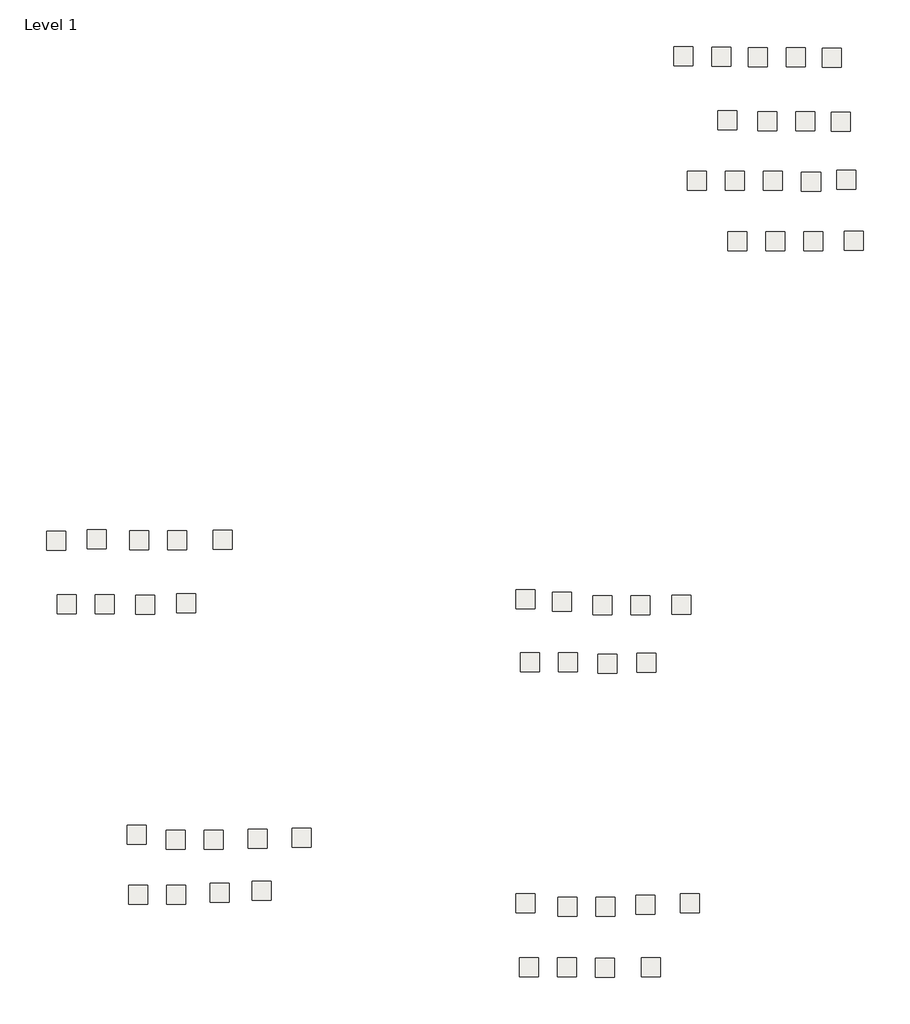
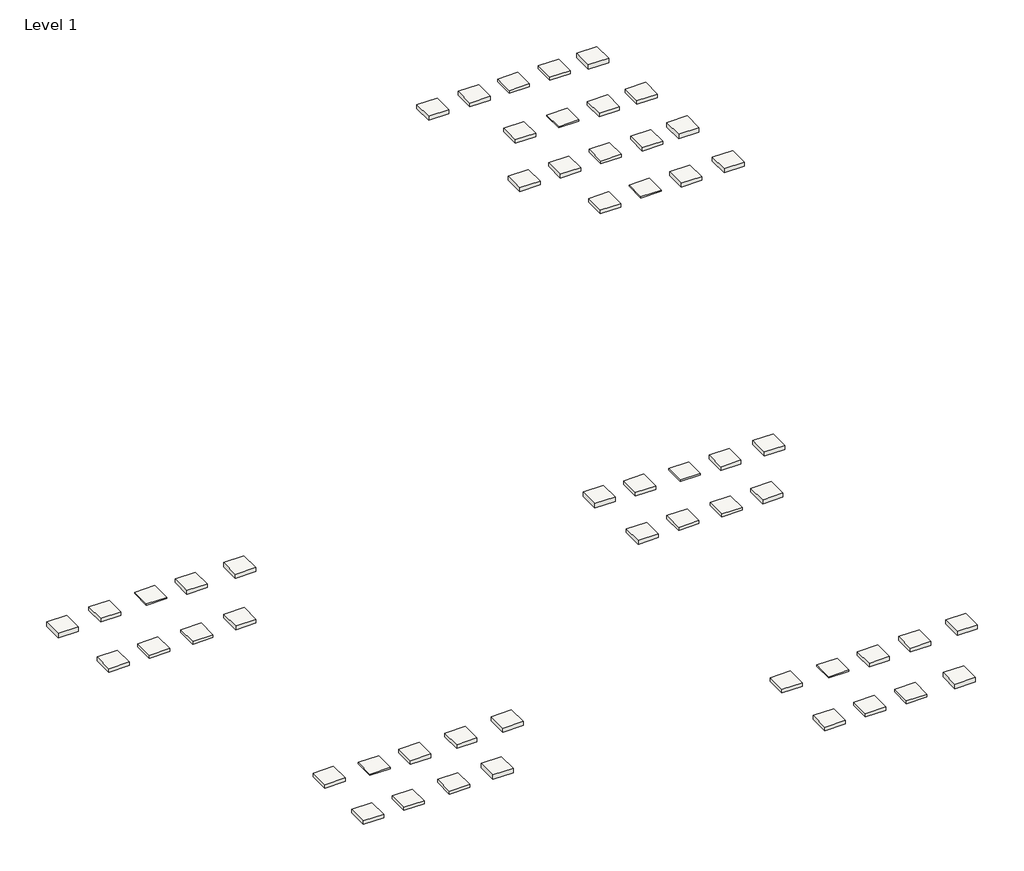
# One storey: 54 slabs.
"""IFC4 building model written with IfcOpenShell, lengths in millimetres."""

from ifc_helpers import new_model, si_unit, frame, origin, place, context, project, spatial, polyline, outline, extrude, element, save

model = new_model("IFC4")

# Units and contexts
model_context = context("Model", 3, world=origin())
ifc_project = project(units=[si_unit("LENGTHUNIT", "METRE", prefix="MILLI")], contexts=[model_context])

# Site, building, storey
site = spatial("IfcSite", under=ifc_project)
building = spatial("IfcBuilding", under=site)
storey = spatial("IfcBuildingStorey", under=building, Name="Level 1", Elevation=0.0)

# Slabs
placement = place(None, origin())
element("IfcSlab", 1, at=placement, inside=storey, context=model_context, shape_type="SweptSolid", body=[
    extrude(outline(polyline([(32068.1563416, 36457.4189209), (32068.1563416, 34933.4189209), (30544.1563416, 34933.4189209), (30544.1563416, 36457.4189209), (32068.1563416, 36457.4189209)])), frame((0.0, 0.0, -285.75), z_axis=(0.0, 0.0, 1.0), x_axis=(1.0, 0.0, 0.0)), (0.0, 0.0, 1.0), 285.75),
])
element("IfcSlab", 2, at=placement, inside=storey, context=model_context, shape_type="SweptSolid", body=[
    extrude(outline(polyline([(41018.7103043, 36556.9070063), (41018.7103043, 35032.9070063), (39494.7103043, 35032.9070063), (39494.7103043, 36556.9070063), (41018.7103043, 36556.9070063)])), frame((0.0, 0.0, -358.775), z_axis=(0.0, 0.0, 1.0), x_axis=(1.0, 0.0, 0.0)), (0.0, 0.0, 1.0), 358.775),
])
element("IfcSlab", 3, at=placement, inside=storey, context=model_context, shape_type="SweptSolid", body=[
    extrude(outline(polyline([(32291.3867932, 31634.7742126), (32291.3867932, 30110.7742126), (30767.3867932, 30110.7742126), (30767.3867932, 31634.7742126), (32291.3867932, 31634.7742126)])), frame((0.0, 0.0, -279.4), z_axis=(0.0, 0.0, 1.0), x_axis=(1.0, 0.0, 0.0)), (0.0, 0.0, 1.0), 279.4),
])
element("IfcSlab", 4, at=placement, inside=storey, context=model_context, shape_type="SweptSolid", body=[
    extrude(outline(polyline([(35339.3867932, 31634.7742126), (35339.3867932, 30110.7742126), (33815.3867932, 30110.7742126), (33815.3867932, 31634.7742126), (35339.3867932, 31634.7742126)])), frame((0.0, 0.0, -101.6), z_axis=(0.0, 0.0, 1.0), x_axis=(1.0, 0.0, 0.0)), (0.0, 0.0, 1.0), 101.6),
])
element("IfcSlab", 5, at=placement, inside=storey, context=model_context, shape_type="SweptSolid", body=[
    extrude(outline(polyline([(38387.3867932, 31634.7742126), (38387.3867932, 30110.7742126), (36863.3867932, 30110.7742126), (36863.3867932, 31634.7742126), (38387.3867932, 31634.7742126)])), frame((0.0, 0.0, -298.45), z_axis=(0.0, 0.0, 1.0), x_axis=(1.0, 0.0, 0.0)), (0.0, 0.0, 1.0), 298.45),
])
element("IfcSlab", 6, at=placement, inside=storey, context=model_context, shape_type="SweptSolid", body=[
    extrude(outline(polyline([(35116.1563416, 36457.4189209), (35116.1563416, 34933.4189209), (33592.1563416, 34933.4189209), (33592.1563416, 36457.4189209), (35116.1563416, 36457.4189209)])), frame((0.0, 0.0, -222.25), z_axis=(0.0, 0.0, 1.0), x_axis=(1.0, 0.0, 0.0)), (0.0, 0.0, 1.0), 222.25),
])
element("IfcSlab", 7, at=placement, inside=storey, context=model_context, shape_type="SweptSolid", body=[
    extrude(outline(polyline([(40577.1679429, 41214.1294714), (40577.1679429, 39690.1294714), (39053.1679429, 39690.1294714), (39053.1679429, 41214.1294714), (40577.1679429, 41214.1294714)])), frame((0.0, 0.0, -285.75), z_axis=(0.0, 0.0, 1.0), x_axis=(1.0, 0.0, 0.0)), (0.0, 0.0, 1.0), 285.75),
])
element("IfcSlab", 8, at=placement, inside=storey, context=model_context, shape_type="SweptSolid", body=[
    extrude(outline(polyline([(39876.0568255, 46327.2287837), (39876.0568255, 44803.2287837), (38352.0568255, 44803.2287837), (38352.0568255, 46327.2287837), (39876.0568255, 46327.2287837)])), frame((0.0, 0.0, -358.775), z_axis=(0.0, 0.0, 1.0), x_axis=(1.0, 0.0, 0.0)), (0.0, 0.0, 1.0), 358.775),
])
element("IfcSlab", 9, at=placement, inside=storey, context=model_context, shape_type="SweptSolid", body=[
    extrude(outline(polyline([(31493.4895292, 41327.9513071), (31493.4895292, 39803.9513071), (29969.4895292, 39803.9513071), (29969.4895292, 41327.9513071), (31493.4895292, 41327.9513071)])), frame((0.0, 0.0, -279.4), z_axis=(0.0, 0.0, 1.0), x_axis=(1.0, 0.0, 0.0)), (0.0, 0.0, 1.0), 279.4),
])
element("IfcSlab", 10, at=placement, inside=storey, context=model_context, shape_type="SweptSolid", body=[
    extrude(outline(polyline([(34681.960963, 41221.8291217), (34681.960963, 39697.8291217), (33157.960963, 39697.8291217), (33157.960963, 41221.8291217), (34681.960963, 41221.8291217)])), frame((0.0, 0.0, -101.6), z_axis=(0.0, 0.0, 1.0), x_axis=(1.0, 0.0, 0.0)), (0.0, 0.0, 1.0), 101.6),
])
element("IfcSlab", 11, at=placement, inside=storey, context=model_context, shape_type="SweptSolid", body=[
    extrude(outline(polyline([(37729.960963, 41221.8291217), (37729.960963, 39697.8291217), (36205.960963, 39697.8291217), (36205.960963, 41221.8291217), (37729.960963, 41221.8291217)])), frame((0.0, 0.0, -298.45), z_axis=(0.0, 0.0, 1.0), x_axis=(1.0, 0.0, 0.0)), (0.0, 0.0, 1.0), 298.45),
])
element("IfcSlab", 12, at=placement, inside=storey, context=model_context, shape_type="SweptSolid", body=[
    extrude(outline(polyline([(33940.5374704, 46373.4967872), (33940.5374704, 44849.4967872), (32416.5374704, 44849.4967872), (32416.5374704, 46373.4967872), (33940.5374704, 46373.4967872)])), frame((0.0, 0.0, -222.25), z_axis=(0.0, 0.0, 1.0), x_axis=(1.0, 0.0, 0.0)), (0.0, 0.0, 1.0), 222.25),
])
element("IfcSlab", 13, at=placement, inside=storey, context=model_context, shape_type="SweptSolid", body=[
    extrude(outline(polyline([(15577.4038699, -26590.9096312), (15577.4038699, -28114.9096312), (14053.4038699, -28114.9096312), (14053.4038699, -26590.9096312), (15577.4038699, -26590.9096312)])), frame((0.0, 0.0, -285.75), z_axis=(0.0, 0.0, 1.0), x_axis=(1.0, 0.0, 0.0)), (0.0, 0.0, 1.0), 285.75),
])
element("IfcSlab", 14, at=placement, inside=storey, context=model_context, shape_type="SweptSolid", body=[
    extrude(outline(polyline([(25360.8213875, -26591.9738322), (25360.8213875, -28115.9738322), (23836.8213875, -28115.9738322), (23836.8213875, -26591.9738322), (25360.8213875, -26591.9738322)])), frame((0.0, 0.0, -358.775), z_axis=(0.0, 0.0, 1.0), x_axis=(1.0, 0.0, 0.0)), (0.0, 0.0, 1.0), 358.775),
])
element("IfcSlab", 15, at=placement, inside=storey, context=model_context, shape_type="SweptSolid", body=[
    extrude(outline(polyline([(15291.7641203, -21458.0583151), (15291.7641203, -22982.0583151), (13767.7641203, -22982.0583151), (13767.7641203, -21458.0583151), (15291.7641203, -21458.0583151)])), frame((0.0, 0.0, -279.4), z_axis=(0.0, 0.0, 1.0), x_axis=(1.0, 0.0, 0.0)), (0.0, 0.0, 1.0), 279.4),
])
element("IfcSlab", 16, at=placement, inside=storey, context=model_context, shape_type="SweptSolid", body=[
    extrude(outline(polyline([(18654.0538037, -21736.65523), (18654.0538037, -23260.65523), (17130.0538037, -23260.65523), (17130.0538037, -21736.65523), (18654.0538037, -21736.65523)])), frame((0.0, 0.0, -101.6), z_axis=(0.0, 0.0, 1.0), x_axis=(1.0, 0.0, 0.0)), (0.0, 0.0, 1.0), 101.6),
])
element("IfcSlab", 17, at=placement, inside=storey, context=model_context, shape_type="SweptSolid", body=[
    extrude(outline(polyline([(21702.0538037, -21736.65523), (21702.0538037, -23260.65523), (20178.0538037, -23260.65523), (20178.0538037, -21736.65523), (21702.0538037, -21736.65523)])), frame((0.0, 0.0, -298.45), z_axis=(0.0, 0.0, 1.0), x_axis=(1.0, 0.0, 0.0)), (0.0, 0.0, 1.0), 298.45),
])
element("IfcSlab", 18, at=placement, inside=storey, context=model_context, shape_type="SweptSolid", body=[
    extrude(outline(polyline([(18625.4038699, -26590.9096312), (18625.4038699, -28114.9096312), (17101.4038699, -28114.9096312), (17101.4038699, -26590.9096312), (18625.4038699, -26590.9096312)])), frame((0.0, 0.0, -241.3), z_axis=(0.0, 0.0, 1.0), x_axis=(1.0, 0.0, 0.0)), (0.0, 0.0, 1.0), 241.3),
])
element("IfcSlab", 19, at=placement, inside=storey, context=model_context, shape_type="SweptSolid", body=[
    extrude(outline(polyline([(-15802.4868248, -20773.5054676), (-15802.4868248, -22297.5054676), (-17326.4868248, -22297.5054676), (-17326.4868248, -20773.5054676), (-15802.4868248, -20773.5054676)])), frame((0.0, 0.0, -285.75), z_axis=(0.0, 0.0, 1.0), x_axis=(1.0, 0.0, 0.0)), (0.0, 0.0, 1.0), 285.75),
])
element("IfcSlab", 20, at=placement, inside=storey, context=model_context, shape_type="SweptSolid", body=[
    extrude(outline(polyline([(-5882.8324483, -20465.6325042), (-5882.8324483, -21989.6325042), (-7406.8324483, -21989.6325042), (-7406.8324483, -20465.6325042), (-5882.8324483, -20465.6325042)])), frame((0.0, 0.0, -358.775), z_axis=(0.0, 0.0, 1.0), x_axis=(1.0, 0.0, 0.0)), (0.0, 0.0, 1.0), 358.775),
])
element("IfcSlab", 21, at=placement, inside=storey, context=model_context, shape_type="SweptSolid", body=[
    extrude(outline(polyline([(-15915.8512209, -15958.5658437), (-15915.8512209, -17482.5658437), (-17439.8512209, -17482.5658437), (-17439.8512209, -15958.5658437), (-15915.8512209, -15958.5658437)])), frame((0.0, 0.0, -279.4), z_axis=(0.0, 0.0, 1.0), x_axis=(1.0, 0.0, 0.0)), (0.0, 0.0, 1.0), 279.4),
])
element("IfcSlab", 22, at=placement, inside=storey, context=model_context, shape_type="SweptSolid", body=[
    extrude(outline(polyline([(-12769.8689509, -16384.9810909), (-12769.8689509, -17908.9810909), (-14293.8689509, -17908.9810909), (-14293.8689509, -16384.9810909), (-12769.8689509, -16384.9810909)])), frame((0.0, 0.0, -101.6), z_axis=(0.0, 0.0, 1.0), x_axis=(1.0, 0.0, 0.0)), (0.0, 0.0, 1.0), 101.6),
])
element("IfcSlab", 23, at=placement, inside=storey, context=model_context, shape_type="SweptSolid", body=[
    extrude(outline(polyline([(-9721.8689509, -16384.9810909), (-9721.8689509, -17908.9810909), (-11245.8689509, -17908.9810909), (-11245.8689509, -16384.9810909), (-9721.8689509, -16384.9810909)])), frame((0.0, 0.0, -298.45), z_axis=(0.0, 0.0, 1.0), x_axis=(1.0, 0.0, 0.0)), (0.0, 0.0, 1.0), 298.45),
])
element("IfcSlab", 24, at=placement, inside=storey, context=model_context, shape_type="SweptSolid", body=[
    extrude(outline(polyline([(-12754.4868248, -20773.5054676), (-12754.4868248, -22297.5054676), (-14278.4868248, -22297.5054676), (-14278.4868248, -20773.5054676), (-12754.4868248, -20773.5054676)])), frame((0.0, 0.0, -222.25), z_axis=(0.0, 0.0, 1.0), x_axis=(1.0, 0.0, 0.0)), (0.0, 0.0, 1.0), 222.25),
])
element("IfcSlab", 25, at=placement, inside=storey, context=model_context, shape_type="SweptSolid", body=[
    extrude(outline(polyline([(-21514.4948691, 2505.5899891), (-21514.4948691, 981.5899891), (-23038.4948691, 981.5899891), (-23038.4948691, 2505.5899891), (-21514.4948691, 2505.5899891)])), frame((0.0, 0.0, -285.75), z_axis=(0.0, 0.0, 1.0), x_axis=(1.0, 0.0, 0.0)), (0.0, 0.0, 1.0), 285.75),
])
element("IfcSlab", 26, at=placement, inside=storey, context=model_context, shape_type="SweptSolid", body=[
    extrude(outline(polyline([(-22377.0313819, 7604.9391989), (-22377.0313819, 6080.9391989), (-23901.0313819, 6080.9391989), (-23901.0313819, 7604.9391989), (-22377.0313819, 7604.9391989)])), frame((0.0, 0.0, -358.775), z_axis=(0.0, 0.0, 1.0), x_axis=(1.0, 0.0, 0.0)), (0.0, 0.0, 1.0), 358.775),
])
element("IfcSlab", 27, at=placement, inside=storey, context=model_context, shape_type="SweptSolid", body=[
    extrude(outline(polyline([(-19124.1113707, 7712.1842469), (-19124.1113707, 6188.1842469), (-20648.1113707, 6188.1842469), (-20648.1113707, 7712.1842469), (-19124.1113707, 7712.1842469)])), frame((0.0, 0.0, -279.4), z_axis=(0.0, 0.0, 1.0), x_axis=(1.0, 0.0, 0.0)), (0.0, 0.0, 1.0), 279.4),
])
element("IfcSlab", 28, at=placement, inside=storey, context=model_context, shape_type="SweptSolid", body=[
    extrude(outline(polyline([(-15716.0718514, 7657.8108716), (-15716.0718514, 6133.8108716), (-17240.0718514, 6133.8108716), (-17240.0718514, 7657.8108716), (-15716.0718514, 7657.8108716)])), frame((0.0, 0.0, -101.6), z_axis=(0.0, 0.0, 1.0), x_axis=(1.0, 0.0, 0.0)), (0.0, 0.0, 1.0), 101.6),
])
element("IfcSlab", 29, at=placement, inside=storey, context=model_context, shape_type="SweptSolid", body=[
    extrude(outline(polyline([(-12668.0718514, 7657.8108716), (-12668.0718514, 6133.8108716), (-14192.0718514, 6133.8108716), (-14192.0718514, 7657.8108716), (-12668.0718514, 7657.8108716)])), frame((0.0, 0.0, -298.45), z_axis=(0.0, 0.0, 1.0), x_axis=(1.0, 0.0, 0.0)), (0.0, 0.0, 1.0), 298.45),
])
element("IfcSlab", 30, at=placement, inside=storey, context=model_context, shape_type="SweptSolid", body=[
    extrude(outline(polyline([(-18466.4948691, 2505.5899891), (-18466.4948691, 981.5899891), (-19990.4948691, 981.5899891), (-19990.4948691, 2505.5899891), (-18466.4948691, 2505.5899891)])), frame((0.0, 0.0, -241.3), z_axis=(0.0, 0.0, 1.0), x_axis=(1.0, 0.0, 0.0)), (0.0, 0.0, 1.0), 241.3),
])
element("IfcSlab", 31, at=placement, inside=storey, context=model_context, shape_type="SweptSolid", body=[
    extrude(outline(polyline([(15631.5942408, -2141.2153622), (15631.5942408, -3665.2153622), (14107.5942408, -3665.2153622), (14107.5942408, -2141.2153622), (15631.5942408, -2141.2153622)])), frame((0.0, 0.0, -285.75), z_axis=(0.0, 0.0, 1.0), x_axis=(1.0, 0.0, 0.0)), (0.0, 0.0, 1.0), 285.75),
])
element("IfcSlab", 32, at=placement, inside=storey, context=model_context, shape_type="SweptSolid", body=[
    extrude(outline(polyline([(15298.6433118, 2909.8711988), (15298.6433118, 1385.8711988), (13774.6433118, 1385.8711988), (13774.6433118, 2909.8711988), (15298.6433118, 2909.8711988)])), frame((0.0, 0.0, -358.775), z_axis=(0.0, 0.0, 1.0), x_axis=(1.0, 0.0, 0.0)), (0.0, 0.0, 1.0), 358.775),
])
element("IfcSlab", 33, at=placement, inside=storey, context=model_context, shape_type="SweptSolid", body=[
    extrude(outline(polyline([(18220.6554011, 2693.3035561), (18220.6554011, 1169.3035561), (16696.6554011, 1169.3035561), (16696.6554011, 2693.3035561), (18220.6554011, 2693.3035561)])), frame((0.0, 0.0, -279.4), z_axis=(0.0, 0.0, 1.0), x_axis=(1.0, 0.0, 0.0)), (0.0, 0.0, 1.0), 279.4),
])
element("IfcSlab", 34, at=placement, inside=storey, context=model_context, shape_type="SweptSolid", body=[
    extrude(outline(polyline([(21446.7357725, 2441.2028921), (21446.7357725, 917.2028921), (19922.7357725, 917.2028921), (19922.7357725, 2441.2028921), (21446.7357725, 2441.2028921)])), frame((0.0, 0.0, -101.6), z_axis=(0.0, 0.0, 1.0), x_axis=(1.0, 0.0, 0.0)), (0.0, 0.0, 1.0), 101.6),
])
element("IfcSlab", 35, at=placement, inside=storey, context=model_context, shape_type="SweptSolid", body=[
    extrude(outline(polyline([(24494.7357725, 2441.2028921), (24494.7357725, 917.2028921), (22970.7357725, 917.2028921), (22970.7357725, 2441.2028921), (24494.7357725, 2441.2028921)])), frame((0.0, 0.0, -298.45), z_axis=(0.0, 0.0, 1.0), x_axis=(1.0, 0.0, 0.0)), (0.0, 0.0, 1.0), 298.45),
])
element("IfcSlab", 36, at=placement, inside=storey, context=model_context, shape_type="SweptSolid", body=[
    extrude(outline(polyline([(18679.5942408, -2141.2153622), (18679.5942408, -3665.2153622), (17155.5942408, -3665.2153622), (17155.5942408, -2141.2153622), (18679.5942408, -2141.2153622)])), frame((0.0, 0.0, -241.3), z_axis=(0.0, 0.0, 1.0), x_axis=(1.0, 0.0, 0.0)), (0.0, 0.0, 1.0), 241.3),
])
element("IfcSlab", 37, at=placement, inside=storey, context=model_context, shape_type="SweptSolid", body=[
    extrude(outline(polyline([(38198.4871791, 36391.1030415), (38198.4871791, 34867.1030415), (36674.4871791, 34867.1030415), (36674.4871791, 36391.1030415), (38198.4871791, 36391.1030415)])), frame((0.0, 0.0, -241.3), z_axis=(0.0, 0.0, 1.0), x_axis=(1.0, 0.0, 0.0)), (0.0, 0.0, 1.0), 241.3),
])
element("IfcSlab", 38, at=placement, inside=storey, context=model_context, shape_type="SweptSolid", body=[
    extrude(outline(polyline([(36994.6545878, 46351.8690932), (36994.6545878, 44827.8690932), (35470.6545878, 44827.8690932), (35470.6545878, 46351.8690932), (36994.6545878, 46351.8690932)])), frame((0.0, 0.0, -241.3), z_axis=(0.0, 0.0, 1.0), x_axis=(1.0, 0.0, 0.0)), (0.0, 0.0, 1.0), 241.3),
])
element("IfcSlab", 39, at=placement, inside=storey, context=model_context, shape_type="SweptSolid", body=[
    extrude(outline(polyline([(21672.7828444, -26654.8416418), (21672.7828444, -28178.8416418), (20148.7828444, -28178.8416418), (20148.7828444, -26654.8416418), (21672.7828444, -26654.8416418)])), frame((0.0, 0.0, -222.25), z_axis=(0.0, 0.0, 1.0), x_axis=(1.0, 0.0, 0.0)), (0.0, 0.0, 1.0), 222.25),
])
element("IfcSlab", 40, at=placement, inside=storey, context=model_context, shape_type="SweptSolid", body=[
    extrude(outline(polyline([(-9260.0994958, -20639.3340024), (-9260.0994958, -22163.3340024), (-10784.0994958, -22163.3340024), (-10784.0994958, -20639.3340024), (-9260.0994958, -20639.3340024)])), frame((0.0, 0.0, -241.3), z_axis=(0.0, 0.0, 1.0), x_axis=(1.0, 0.0, 0.0)), (0.0, 0.0, 1.0), 241.3),
])
element("IfcSlab", 41, at=placement, inside=storey, context=model_context, shape_type="SweptSolid", body=[
    extrude(outline(polyline([(-15235.4103257, 2463.4945696), (-15235.4103257, 939.4945696), (-16759.4103257, 939.4945696), (-16759.4103257, 2463.4945696), (-15235.4103257, 2463.4945696)])), frame((0.0, 0.0, -222.25), z_axis=(0.0, 0.0, 1.0), x_axis=(1.0, 0.0, 0.0)), (0.0, 0.0, 1.0), 222.25),
])
element("IfcSlab", 42, at=placement, inside=storey, context=model_context, shape_type="SweptSolid", body=[
    extrude(outline(polyline([(21869.6360952, -2242.94053), (21869.6360952, -3766.94053), (20345.6360952, -3766.94053), (20345.6360952, -2242.94053), (21869.6360952, -2242.94053)])), frame((0.0, 0.0, -222.25), z_axis=(0.0, 0.0, 1.0), x_axis=(1.0, 0.0, 0.0)), (0.0, 0.0, 1.0), 222.25),
])
element("IfcSlab", 43, at=placement, inside=storey, context=model_context, shape_type="SweptSolid", body=[
    extrude(outline(polyline([(41626.1364288, 31673.9904345), (41626.1364288, 30149.9904345), (40102.1364288, 30149.9904345), (40102.1364288, 31673.9904345), (41626.1364288, 31673.9904345)])), frame((0.0, 0.0, -321.5679688), z_axis=(0.0, 0.0, 1.0), x_axis=(1.0, 0.0, 0.0)), (0.0, 0.0, 1.0), 321.5679688),
])
element("IfcSlab", 44, at=placement, inside=storey, context=model_context, shape_type="SweptSolid", body=[
    extrude(outline(polyline([(29020.1563416, 36457.4189209), (29020.1563416, 34933.4189209), (27496.1563416, 34933.4189209), (27496.1563416, 36457.4189209), (29020.1563416, 36457.4189209)])), frame((0.0, 0.0, -304.8), z_axis=(0.0, 0.0, 1.0), x_axis=(1.0, 0.0, 0.0)), (0.0, 0.0, 1.0), 304.8),
])
element("IfcSlab", 45, at=placement, inside=storey, context=model_context, shape_type="SweptSolid", body=[
    extrude(outline(polyline([(31020.8916432, 46426.9894264), (31020.8916432, 44902.9894264), (29496.8916432, 44902.9894264), (29496.8916432, 46426.9894264), (31020.8916432, 46426.9894264)])), frame((0.0, 0.0, -304.8), z_axis=(0.0, 0.0, 1.0), x_axis=(1.0, 0.0, 0.0)), (0.0, 0.0, 1.0), 304.8),
])
element("IfcSlab", 46, at=placement, inside=storey, context=model_context, shape_type="SweptSolid", body=[
    extrude(outline(polyline([(27935.9009401, 46465.7509052), (27935.9009401, 44941.7509052), (26411.9009401, 44941.7509052), (26411.9009401, 46465.7509052), (27935.9009401, 46465.7509052)])), frame((0.0, 0.0, -321.5679688), z_axis=(0.0, 0.0, 1.0), x_axis=(1.0, 0.0, 0.0)), (0.0, 0.0, 1.0), 321.5679688),
])
element("IfcSlab", 47, at=placement, inside=storey, context=model_context, shape_type="SweptSolid", body=[
    extrude(outline(polyline([(24896.6485994, -21595.496997), (24896.6485994, -23119.496997), (23372.6485994, -23119.496997), (23372.6485994, -21595.496997), (24896.6485994, -21595.496997)])), frame((0.0, 0.0, -304.8), z_axis=(0.0, 0.0, 1.0), x_axis=(1.0, 0.0, 0.0)), (0.0, 0.0, 1.0), 304.8),
])
element("IfcSlab", 48, at=placement, inside=storey, context=model_context, shape_type="SweptSolid", body=[
    extrude(outline(polyline([(28478.8941218, -21478.6097344), (28478.8941218, -23002.6097344), (26954.8941218, -23002.6097344), (26954.8941218, -21478.6097344), (28478.8941218, -21478.6097344)])), frame((0.0, 0.0, -321.5679688), z_axis=(0.0, 0.0, 1.0), x_axis=(1.0, 0.0, 0.0)), (0.0, 0.0, 1.0), 321.5679688),
])
element("IfcSlab", 49, at=placement, inside=storey, context=model_context, shape_type="SweptSolid", body=[
    extrude(outline(polyline([(-6214.0967732, -16312.0962407), (-6214.0967732, -17836.0962407), (-7738.0967732, -17836.0962407), (-7738.0967732, -16312.0962407), (-6214.0967732, -16312.0962407)])), frame((0.0, 0.0, -304.8), z_axis=(0.0, 0.0, 1.0), x_axis=(1.0, 0.0, 0.0)), (0.0, 0.0, 1.0), 304.8),
])
element("IfcSlab", 50, at=placement, inside=storey, context=model_context, shape_type="SweptSolid", body=[
    extrude(outline(polyline([(-2665.009322, -16197.896117), (-2665.009322, -17721.896117), (-4189.009322, -17721.896117), (-4189.009322, -16197.896117), (-2665.009322, -16197.896117)])), frame((0.0, 0.0, -321.5679688), z_axis=(0.0, 0.0, 1.0), x_axis=(1.0, 0.0, 0.0)), (0.0, 0.0, 1.0), 321.5679688),
])
element("IfcSlab", 51, at=placement, inside=storey, context=model_context, shape_type="SweptSolid", body=[
    extrude(outline(polyline([(-11930.716075, 2592.0913387), (-11930.716075, 1068.0913387), (-13454.716075, 1068.0913387), (-13454.716075, 2592.0913387), (-11930.716075, 2592.0913387)])), frame((0.0, 0.0, -304.8), z_axis=(0.0, 0.0, 1.0), x_axis=(1.0, 0.0, 0.0)), (0.0, 0.0, 1.0), 304.8),
])
element("IfcSlab", 52, at=placement, inside=storey, context=model_context, shape_type="SweptSolid", body=[
    extrude(outline(polyline([(-9010.5329986, 7676.6646657), (-9010.5329986, 6152.6646657), (-10534.5329986, 6152.6646657), (-10534.5329986, 7676.6646657), (-9010.5329986, 7676.6646657)])), frame((0.0, 0.0, -321.5679688), z_axis=(0.0, 0.0, 1.0), x_axis=(1.0, 0.0, 0.0)), (0.0, 0.0, 1.0), 321.5679688),
])
element("IfcSlab", 53, at=placement, inside=storey, context=model_context, shape_type="SweptSolid", body=[
    extrude(outline(polyline([(27795.5483777, 2455.930652), (27795.5483777, 931.930652), (26271.5483777, 931.930652), (26271.5483777, 2455.930652), (27795.5483777, 2455.930652)])), frame((0.0, 0.0, -321.5679688), z_axis=(0.0, 0.0, 1.0), x_axis=(1.0, 0.0, 0.0)), (0.0, 0.0, 1.0), 321.5679688),
])
element("IfcSlab", 54, at=placement, inside=storey, context=model_context, shape_type="SweptSolid", body=[
    extrude(outline(polyline([(24974.2593895, -2181.8235064), (24974.2593895, -3705.8235064), (23450.2593895, -3705.8235064), (23450.2593895, -2181.8235064), (24974.2593895, -2181.8235064)])), frame((0.0, 0.0, -304.8), z_axis=(0.0, 0.0, 1.0), x_axis=(1.0, 0.0, 0.0)), (0.0, 0.0, 1.0), 304.8),
])

save(model, "model.ifc")
